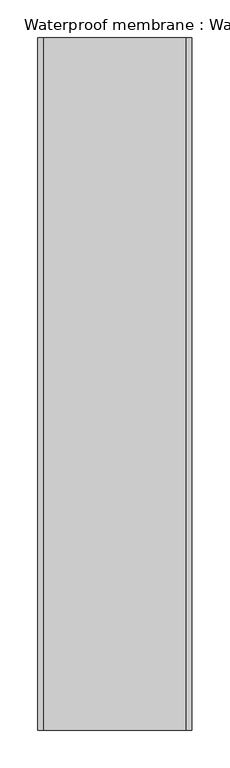
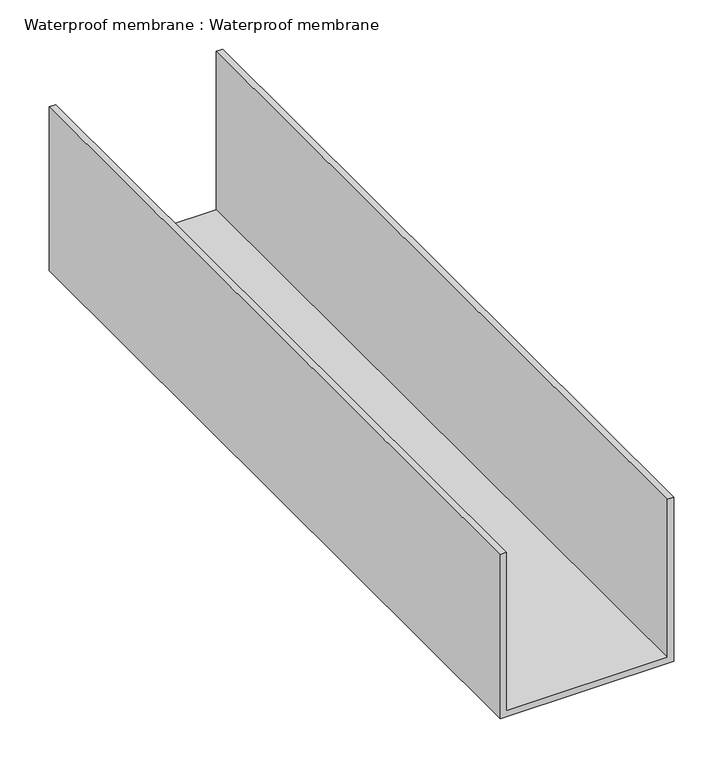
"""IFC4 building model written with IfcOpenShell, lengths in millimetres: proxy geometry, Waterproof membrane : Waterproof membrane."""

from ifc_helpers import new_model, si_unit, frame, origin, place, context, project, spatial, polyline, outline, extrude, source, transform, mapped, element, save


def waterproof_membrane_waterproof_membrane_c81fc682(model_context):
    return source(origin(), model_context, "Body", "SweptSolid", [
        extrude(outline(polyline([(609.6, 37663.5186461), (609.6, 37656.0694793), (406.4, 37656.0694793), (406.4, 37859.2694793), (609.6, 37859.2694793), (609.6, 37851.8203125), (413.8491668, 37851.8203125), (413.8491668, 37663.5186461), (609.6, 37663.5186461)])), frame((0.0, -19576.8264268, 0.0), z_axis=(0.0, 1.0, 0.0), x_axis=(0.0, 0.0, 1.0)), (0.0, 0.0, 1.0), 914.4),
    ])


if __name__ == "__main__":
    model = new_model("IFC4")
    model_context = context("Model", 3, world=origin())
    ifc_project = project(units=[si_unit("LENGTHUNIT", "METRE", prefix="MILLI")], contexts=[model_context])
    site = spatial("IfcSite", under=ifc_project)
    building = spatial("IfcBuilding", under=site)
    placement = place(None, origin())
    waterproof_membrane_waterproof_membrane_shape = waterproof_membrane_waterproof_membrane_c81fc682(model_context)
    element("IfcBuildingElementProxy", 1, Name="Waterproof membrane : Waterproof membrane", ObjectType="Waterproof membrane : Waterproof membrane", at=placement, inside=building, context=model_context, shape_type="MappedRepresentation", body=[
        mapped(waterproof_membrane_waterproof_membrane_shape, transform((0.0, 0.0, 0.0), x_axis=(1.0, 0.0, 0.0), y_axis=(0.0, 1.0, 0.0), z_axis=(0.0, 0.0, 1.0))),
    ])
    save(model, "model.ifc")
